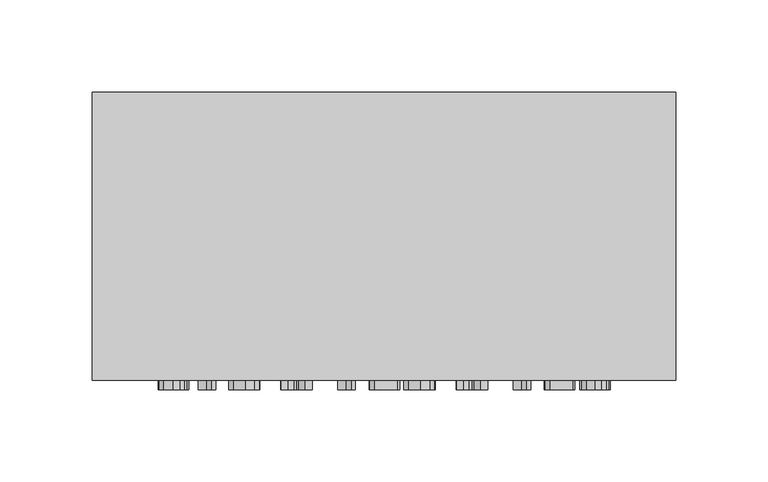
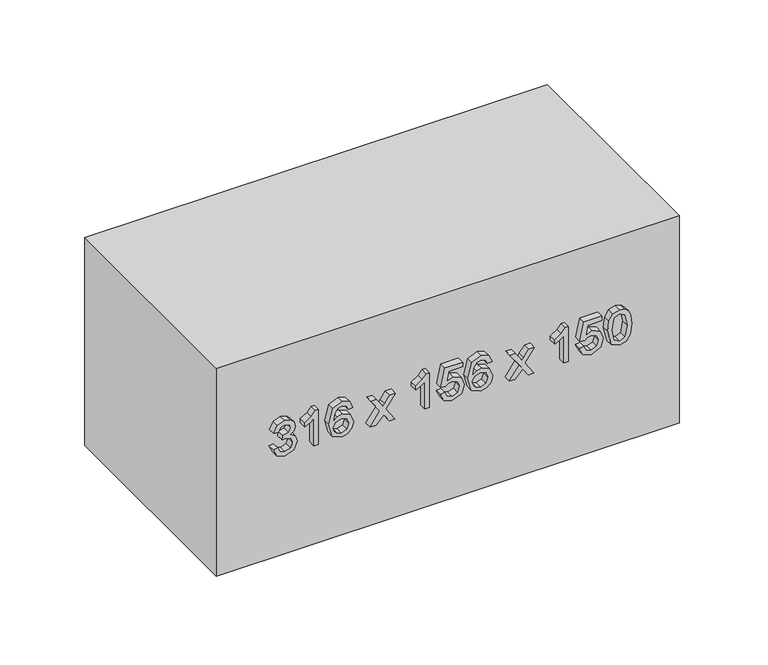
"""IFC4 building model written with IfcOpenShell, lengths in millimetres: furniture geometry."""

from ifc_helpers import new_model, si_unit, frame, origin, origin_with_axes, place, context, project, spatial, polyline, outline, extrude, source, transform, mapped, element, save


def furniture_92309e1d(model_context):
    return source(origin(), model_context, "Body", "SweptSolid", [
        extrude(outline(polyline([(81.6709268, -77.5345978), (76.5757612, -75.0391316), (74.6075925, -69.5331644), (76.9129864, -63.4569801), (82.5293182, -61.0534844), (86.6128083, -62.2552323), (88.7587866, -65.6765349), (90.8373199, -63.1013609), (93.7313249, -62.2307068), (96.8981758, -63.1473461), (99.2526205, -65.7960965), (100.1140775, -69.5822154), (98.3666381, -74.5731478), (93.4431507, -77.1421904), (93.0507432, -74.0029307), (95.9937992, -72.4639577), (96.9748178, -69.4718508), (96.0029962, -66.5165321), (93.5473839, -65.3699665), (90.7760062, -66.9518591), (89.9114835, -71.0169551), (86.7722238, -71.366443), (87.1155804, -69.1652824), (85.8310591, -65.5968271), (82.5845005, -64.1927441), (79.1386724, -65.6090898), (77.7468522, -69.4227998), (78.7585277, -72.6632271), (82.0633343, -74.3953381), (81.6709268, -77.5345978)])), frame((0.0, -161.0, 0.0), z_axis=(0.0, 1.0, 0.0), x_axis=(0.0, 0.0, 1.0)), (0.0, 0.0, 1.0), 5.0),
        extrude(outline(polyline([(75.0, -46.5344084), (100.1140775, -46.5344084), (100.1140775, -48.5577593), (96.7724827, -51.3505968), (93.8355582, -55.9521874), (90.8679767, -55.9521874), (92.452935, -52.6473809), (94.5713221, -49.6736681), (75.0, -49.6736681), (75.0, -46.5344084)])), frame((0.0, -161.0, 0.0), z_axis=(0.0, 1.0, 0.0), x_axis=(0.0, 0.0, 1.0)), (0.0, 0.0, 1.0), 5.0),
        extrude(outline(polyline([(93.4431507, -22.9899607), (98.3421126, -25.3076172), (100.1140775, -30.2678928), (97.2507293, -36.7242218), (86.7231729, -39.4710741), (77.4280212, -36.9970676), (74.6075925, -30.5989866), (75.6713846, -26.4848396), (78.7370679, -23.6337542), (83.0688784, -22.5975532), (88.8507571, -24.7987138), (91.0887059, -30.1330028), (90.2701685, -33.5635024), (87.7655052, -36.3318144), (93.3603772, -35.4397005), (96.2145284, -33.2967879), (96.9748178, -30.4640965), (95.6688368, -27.3187055), (93.0507432, -26.1292204), (93.4431507, -22.9899607)]), holes=[polyline([(83.1179294, -36.3318144), (86.615874, -34.7713816), (87.9494462, -30.973), (86.615874, -27.1255674), (82.9646452, -25.7368129), (79.1509352, -27.1439615), (77.7468522, -30.8442413), (78.4243682, -33.673867), (80.3986683, -35.6052474), (83.1179294, -36.3318144)])]), frame((0.0, -161.0, 0.0), z_axis=(0.0, 1.0, 0.0), x_axis=(0.0, 0.0, 1.0)), (0.0, 0.0, 1.0), 5.0),
        extrude(outline(polyline([(75.0, -11.2177368), (75.0, -7.440815), (80.5734122, -1.9655047), (75.0, 1.8788622), (75.0, 5.655784), (84.2706263, -0.7331), (93.4431507, 5.9010387), (93.4431507, 2.1241169), (88.648422, -1.3462366), (86.9439021, -2.5786413), (89.0285667, -4.0011184), (93.4431507, -7.0484076), (93.4431507, -10.8253294), (84.2706263, -4.5100218), (75.0, -11.2177368)])), frame((0.0, -161.0, 0.0), z_axis=(0.0, 1.0, 0.0), x_axis=(0.0, 0.0, 1.0)), (0.0, 0.0, 1.0), 5.0),
        extrude(outline(polyline([(75.0, 29.2002317), (100.1140775, 29.2002317), (100.1140775, 27.1768807), (96.7724827, 24.3840433), (93.8355582, 19.7824526), (90.8679767, 19.7824526), (92.452935, 23.0872592), (94.5713221, 26.060972), (75.0, 26.060972), (75.0, 29.2002317)])), frame((0.0, -161.0, 0.0), z_axis=(0.0, 1.0, 0.0), x_axis=(0.0, 0.0, 1.0)), (0.0, 0.0, 1.0), 5.0),
        extrude(outline(polyline([(81.6709268, 36.6559735), (76.5420387, 39.1054544), (74.6075925, 44.6451441), (77.6180935, 51.1689182), (83.4428918, 53.1370869), (89.2309018, 50.9512547), (91.4811134, 45.5832432), (89.6662289, 40.9908496), (96.5824104, 42.3336189), (96.5824104, 51.9598645), (99.7216701, 51.9598645), (99.7216701, 39.7952332), (86.7722238, 37.0483809), (86.3798164, 40.1876406), (87.7961621, 41.9504085), (88.3418537, 44.7064578), (86.9745589, 48.682649), (83.2466881, 49.9978272), (79.2521027, 48.5937442), (77.7468522, 44.6574069), (78.8290384, 41.3771257), (82.0633343, 39.7952332), (81.6709268, 36.6559735)])), frame((0.0, -161.0, 0.0), z_axis=(0.0, 1.0, 0.0), x_axis=(0.0, 0.0, 1.0)), (0.0, 0.0, 1.0), 5.0),
        extrude(outline(polyline([(93.4431507, 71.972645), (98.3421126, 69.6549884), (100.1140775, 64.6947129), (97.2507293, 58.2383839), (86.7231729, 55.4915316), (77.4280212, 57.965538), (74.6075925, 64.3636191), (75.6713846, 68.4777661), (78.7370679, 71.3288515), (83.0688784, 72.3650525), (88.8507571, 70.1638919), (91.0887059, 64.8296029), (90.2701685, 61.3991033), (87.7655052, 58.6307913), (93.3603772, 59.5229052), (96.2145284, 61.6658178), (96.9748178, 64.4985091), (95.6688368, 67.6439002), (93.0507432, 68.8333853), (93.4431507, 71.972645)]), holes=[polyline([(83.1179294, 58.6307913), (86.615874, 60.1912241), (87.9494462, 63.9896057), (86.615874, 67.8370382), (82.9646452, 69.2257928), (79.1509352, 67.8186441), (77.7468522, 64.1183644), (78.4243682, 61.2887387), (80.3986683, 59.3573583), (83.1179294, 58.6307913)])]), frame((0.0, -161.0, 0.0), z_axis=(0.0, 1.0, 0.0), x_axis=(0.0, 0.0, 1.0)), (0.0, 0.0, 1.0), 5.0),
        extrude(outline(polyline([(75.0, 83.7448689), (75.0, 87.5217907), (80.5734122, 92.997101), (75.0, 96.8414679), (75.0, 100.6183897), (84.2706263, 94.2295057), (93.4431507, 100.8636444), (93.4431507, 97.0867225), (88.648422, 93.6163691), (86.9439021, 92.3839644), (89.0285667, 90.9614873), (93.4431507, 87.9141981), (93.4431507, 84.1372763), (84.2706263, 90.4525839), (75.0, 83.7448689)])), frame((0.0, -161.0, 0.0), z_axis=(0.0, 1.0, 0.0), x_axis=(0.0, 0.0, 1.0)), (0.0, 0.0, 1.0), 5.0),
        extrude(outline(polyline([(75.0, 124.1628374), (100.1140775, 124.1628374), (100.1140775, 122.1394864), (96.7724827, 119.3466489), (93.8355582, 114.7450583), (90.8679767, 114.7450583), (92.452935, 118.0498649), (94.5713221, 121.0235777), (75.0, 121.0235777), (75.0, 124.1628374)])), frame((0.0, -161.0, 0.0), z_axis=(0.0, 1.0, 0.0), x_axis=(0.0, 0.0, 1.0)), (0.0, 0.0, 1.0), 5.0),
        extrude(outline(polyline([(81.6709268, 131.6185792), (76.5420387, 134.0680601), (74.6075925, 139.6077498), (77.6180935, 146.1315239), (83.4428918, 148.0996925), (89.2309018, 145.9138604), (91.4811134, 140.5458489), (89.6662289, 135.9534553), (96.5824104, 137.2962246), (96.5824104, 146.9224702), (99.7216701, 146.9224702), (99.7216701, 134.7578389), (86.7722238, 132.0109866), (86.3798164, 135.1502463), (87.7961621, 136.9130142), (88.3418537, 139.6690635), (86.9745589, 143.6452547), (83.2466881, 144.9604329), (79.2521027, 143.5563499), (77.7468522, 139.6200126), (78.8290384, 136.3397314), (82.0633343, 134.7578389), (81.6709268, 131.6185792)])), frame((0.0, -161.0, 0.0), z_axis=(0.0, 1.0, 0.0), x_axis=(0.0, 0.0, 1.0)), (0.0, 0.0, 1.0), 5.0),
        extrude(outline(polyline([(87.3547037, 150.8465448), (76.9988255, 153.3481423), (74.6075925, 159.0871015), (75.9840843, 163.6825607), (80.159545, 166.4140845), (87.3547037, 167.3276582), (93.256144, 166.7574411), (96.9717522, 165.2859131), (99.3047371, 162.7536587), (100.1140775, 159.0871015), (98.7467828, 154.5100363), (94.5805192, 151.7693154), (87.3547037, 150.8465448)]), holes=[polyline([(87.360835, 153.9858045), (95.2948234, 155.5063834), (96.9748178, 159.0503133), (95.0679628, 162.7659214), (87.360835, 164.1883985), (79.5709338, 162.7168705), (77.7468522, 159.0871015), (79.5648024, 155.4573324), (87.360835, 153.9858045)])]), frame((0.0, -161.0, 0.0), z_axis=(0.0, 1.0, 0.0), x_axis=(0.0, 0.0, 1.0)), (0.0, 0.0, 1.0), 5.0),
        extrude(outline(polyline([(202.7003264, 0.0), (202.7003264, -156.0), (-113.2996736, -156.0), (-113.2996736, 0.0), (202.7003264, 0.0)])), origin_with_axes(), (0.0, 0.0, 1.0), 150.0),
    ])


if __name__ == "__main__":
    model = new_model("IFC4")
    model_context = context("Model", 3, world=origin())
    ifc_project = project(units=[si_unit("LENGTHUNIT", "METRE", prefix="MILLI")], contexts=[model_context])
    site = spatial("IfcSite", under=ifc_project)
    building = spatial("IfcBuilding", under=site)
    placement = place(None, origin())
    furniture_shape = furniture_92309e1d(model_context)
    element("IfcFurniture", 1, at=placement, inside=building, context=model_context, shape_type="MappedRepresentation", body=[
        mapped(furniture_shape, transform((0.0, 0.0, 0.0), x_axis=(1.0, 0.0, 0.0), y_axis=(0.0, 1.0, 0.0), z_axis=(0.0, 0.0, 1.0))),
    ])
    save(model, "model.ifc")
